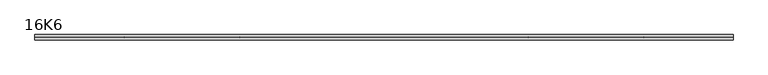
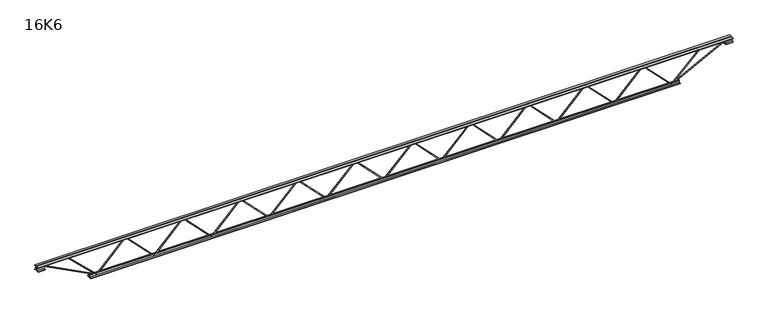
"""IFC4 building model written with IfcOpenShell, lengths in millimetres: beam geometry, 16K6."""

from ifc_helpers import new_model, si_unit, frame, origin, place, context, project, spatial, polyline, outline, extrude, source, transform, mapped, element, save


def beam_16k6_a4c05f10(model_context):
    return source(origin(), model_context, "Body", "SweptSolid", [
        extrude(outline(polyline([(-191.9, 2334.3), (-201.4, 2334.3), (-201.4, 2339.4806286), (191.9, 2722.1806286), (191.9, 2724.5193714), (-201.4, 3107.2193714), (-201.4, 3112.4), (-191.9, 3112.4), (-191.9, 3111.2306286), (201.4, 2728.5306286), (201.4, 2718.1693714), (-191.9, 2335.4693714), (-191.9, 2334.3)])), frame((0.0, -4.75, 0.0), z_axis=(0.0, 1.0, 0.0), x_axis=(0.0, 0.0, 1.0)), (0.0, 0.0, 1.0), 9.5),
        extrude(outline(polyline([(-191.9, 1556.2), (-201.4, 1556.2), (-201.4, 1561.3806286), (191.9, 1944.0806286), (191.9, 1946.4193714), (-201.4, 2329.1193714), (-201.4, 2334.3), (-191.9, 2334.3), (-191.9, 2333.1306286), (201.4, 1950.4306286), (201.4, 1940.0693714), (-191.9, 1557.3693714), (-191.9, 1556.2)])), frame((0.0, -4.75, 0.0), z_axis=(0.0, 1.0, 0.0), x_axis=(0.0, 0.0, 1.0)), (0.0, 0.0, 1.0), 9.5),
        extrude(outline(polyline([(-191.9, 778.1), (-201.4, 778.1), (-201.4, 783.2806286), (191.9, 1165.9806286), (191.9, 1168.3193714), (-201.4, 1551.0193714), (-201.4, 1556.2), (-191.9, 1556.2), (-191.9, 1555.0306286), (201.4, 1172.3306286), (201.4, 1161.9693714), (-191.9, 779.2693714), (-191.9, 778.1)])), frame((0.0, -4.75, 0.0), z_axis=(0.0, 1.0, 0.0), x_axis=(0.0, 0.0, 1.0)), (0.0, 0.0, 1.0), 9.5),
        extrude(outline(polyline([(-191.9, 0.0), (-201.4, 0.0), (-201.4, 5.1806286), (191.9, 387.8806286), (191.9, 390.2193714), (-201.4, 772.9193714), (-201.4, 778.1), (-191.9, 778.1), (-191.9, 776.9306286), (201.4, 394.2306286), (201.4, 383.8693714), (-191.9, 1.1693714), (-191.9, 0.0)])), frame((0.0, -4.75, 0.0), z_axis=(0.0, 1.0, 0.0), x_axis=(0.0, 0.0, 1.0)), (0.0, 0.0, 1.0), 9.5),
        extrude(outline(polyline([(-191.9, -778.1), (-201.4, -778.1), (-201.4, -772.9193714), (191.9, -390.2193714), (191.9, -387.8806286), (-201.4, -5.1806286), (-201.4, 0.0), (-191.9, 0.0), (-191.9, -1.1693714), (201.4, -383.8693714), (201.4, -394.2306286), (-191.9, -776.9306286), (-191.9, -778.1)])), frame((0.0, -4.75, 0.0), z_axis=(0.0, 1.0, 0.0), x_axis=(0.0, 0.0, 1.0)), (0.0, 0.0, 1.0), 9.5),
        extrude(outline(polyline([(-191.9, -1556.2), (-201.4, -1556.2), (-201.4, -1551.0193714), (191.9, -1168.3193714), (191.9, -1165.9806286), (-201.4, -783.2806286), (-201.4, -778.1), (-191.9, -778.1), (-191.9, -779.2693714), (201.4, -1161.9693714), (201.4, -1172.3306286), (-191.9, -1555.0306286), (-191.9, -1556.2)])), frame((0.0, -4.75, 0.0), z_axis=(0.0, 1.0, 0.0), x_axis=(0.0, 0.0, 1.0)), (0.0, 0.0, 1.0), 9.5),
        extrude(outline(polyline([(-191.9, -2334.3), (-201.4, -2334.3), (-201.4, -2329.1193714), (191.9, -1946.4193714), (191.9, -1944.0806286), (-201.4, -1561.3806286), (-201.4, -1556.2), (-191.9, -1556.2), (-191.9, -1557.3693714), (201.4, -1940.0693714), (201.4, -1950.4306286), (-191.9, -2333.1306286), (-191.9, -2334.3)])), frame((0.0, -4.75, 0.0), z_axis=(0.0, 1.0, 0.0), x_axis=(0.0, 0.0, 1.0)), (0.0, 0.0, 1.0), 9.5),
        extrude(outline(polyline([(-191.9, -3112.4), (-201.4, -3112.4), (-201.4, -3107.2193714), (191.9, -2724.5193714), (191.9, -2722.1806286), (-201.4, -2339.4806286), (-201.4, -2334.3), (-191.9, -2334.3), (-191.9, -2335.4693714), (201.4, -2718.1693714), (201.4, -2728.5306286), (-191.9, -3111.2306286), (-191.9, -3112.4)])), frame((0.0, -4.75, 0.0), z_axis=(0.0, 1.0, 0.0), x_axis=(0.0, 0.0, 1.0)), (0.0, 0.0, 1.0), 9.5),
        extrude(outline(polyline([(-191.9, 3112.4), (-201.4, 3112.4), (-201.4, 3117.5806286), (191.9, 3500.2806286), (191.9, 3502.6193714), (-201.4, 3885.3193714), (-201.4, 3890.5), (-191.9, 3890.5), (-191.9, 3889.3306286), (201.4, 3506.6306286), (201.4, 3496.2693714), (-191.9, 3113.5693714), (-191.9, 3112.4)])), frame((0.0, -4.75, 0.0), z_axis=(0.0, 1.0, 0.0), x_axis=(0.0, 0.0, 1.0)), (0.0, 0.0, 1.0), 9.5),
        extrude(outline(polyline([(-191.9, -3890.5), (-201.4, -3890.5), (-201.4, -3885.3193714), (191.9, -3502.6193714), (191.9, -3500.2806286), (-201.4, -3117.5806286), (-201.4, -3112.4), (-191.9, -3112.4), (-191.9, -3113.5693714), (201.4, -3496.2693714), (201.4, -3506.6306286), (-191.9, -3889.3306286), (-191.9, -3890.5)])), frame((0.0, -4.75, 0.0), z_axis=(0.0, 1.0, 0.0), x_axis=(0.0, 0.0, 1.0)), (0.0, 0.0, 1.0), 9.5),
        extrude(outline(polyline([(4.75, 203.0), (36.75, 203.0), (36.75, 196.5), (11.25, 196.5), (11.25, 171.0), (4.75, 171.0), (4.75, 203.0)])), frame((-4702.5, 0.0, 0.0), z_axis=(1.0, 0.0, 0.0), x_axis=(0.0, 1.0, 0.0)), (0.0, 0.0, 1.0), 9405.0),
        extrude(outline(polyline([(-4.75, 203.0), (-4.75, 171.0), (-11.25, 171.0), (-11.25, 196.5), (-36.75, 196.5), (-36.75, 203.0), (-4.75, 203.0)])), frame((-4702.5, 0.0, 0.0), z_axis=(1.0, 0.0, 0.0), x_axis=(0.0, 1.0, 0.0)), (0.0, 0.0, 1.0), 9405.0),
        extrude(outline(polyline([(-4.75, 139.5), (-36.75, 139.5), (-36.75, 146.0), (-11.25, 146.0), (-11.25, 171.0), (-4.75, 171.0), (-4.75, 139.5)])), frame((-4702.5, 0.0, 0.0), z_axis=(1.0, 0.0, 0.0), x_axis=(0.0, 1.0, 0.0)), (0.0, 0.0, 1.0), 100.0),
        extrude(outline(polyline([(36.75, 139.5), (4.75, 139.5), (4.75, 171.0), (11.25, 171.0), (11.25, 146.0), (36.75, 146.0), (36.75, 139.5)])), frame((-4702.5, 0.0, 0.0), z_axis=(1.0, 0.0, 0.0), x_axis=(0.0, 1.0, 0.0)), (0.0, 0.0, 1.0), 100.0),
        extrude(outline(polyline([(4.75, 139.5), (4.75, 171.0), (11.25, 171.0), (11.25, 146.0), (36.75, 146.0), (36.75, 139.5), (4.75, 139.5)])), frame((4602.5, 0.0, 0.0), z_axis=(1.0, 0.0, 0.0), x_axis=(0.0, 1.0, 0.0)), (0.0, 0.0, 1.0), 100.0),
        extrude(outline(polyline([(-4.75, 139.5), (-36.75, 139.5), (-36.75, 146.0), (-11.25, 146.0), (-11.25, 171.0), (-4.75, 171.0), (-4.75, 139.5)])), frame((4602.5, 0.0, 0.0), z_axis=(1.0, 0.0, 0.0), x_axis=(0.0, 1.0, 0.0)), (0.0, 0.0, 1.0), 100.0),
        extrude(outline(polyline([(4.75, -203.0), (4.75, -171.0), (11.25, -171.0), (11.25, -196.5), (36.75, -196.5), (36.75, -203.0), (4.75, -203.0)])), frame((-3990.5, 0.0, 0.0), z_axis=(1.0, 0.0, 0.0), x_axis=(0.0, 1.0, 0.0)), (0.0, 0.0, 1.0), 7981.0),
        extrude(outline(polyline([(-4.75, -203.0), (-36.75, -203.0), (-36.75, -196.5), (-11.25, -196.5), (-11.25, -171.0), (-4.75, -171.0), (-4.75, -203.0)])), frame((-3990.5, 0.0, 0.0), z_axis=(1.0, 0.0, 0.0), x_axis=(0.0, 1.0, 0.0)), (0.0, 0.0, 1.0), 7981.0),
        extrude(outline(polyline([(-200.8705467, -3892.6793315), (-192.4294533, -3888.3206685), (175.75, -4601.3460208), (175.75, -4702.5), (166.25, -4702.5), (166.25, -4603.6539792), (-200.8705467, -3892.6793315)])), frame((0.0, -4.75, 0.0), z_axis=(0.0, 1.0, 0.0), x_axis=(0.0, 0.0, 1.0)), (0.0, 0.0, 1.0), 9.5),
        extrude(outline(polyline([(188.7, -4299.5071429), (179.2, -4299.5071429), (179.2, -4288.7186426), (-200.0759629, -3893.7901791), (-193.2240371, -3887.2098209), (188.7, -4284.8956432), (188.7, -4299.5071429)])), frame((0.0, -4.75, 0.0), z_axis=(0.0, 1.0, 0.0), x_axis=(0.0, 0.0, 1.0)), (0.0, 0.0, 1.0), 9.5),
        extrude(outline(polyline([(0.0, -9.5), (0.0, 0.0), (801.3179909, 0.0), (801.3179909, -9.5), (0.0, -9.5)])), frame((4604.6793315, -4.75, 166.7794533), z_axis=(-0.4588066213244958, 0.0, 0.8885361468329811), x_axis=(-0.8885361468329811, 0.0, -0.4588066213244958)), (0.0, 0.0, 1.0), 9.5),
        extrude(outline(polyline([(0.0, -9.5), (0.0, 0.0), (563.5148824, 0.0), (563.5148824, -9.5), (0.0, -9.5)])), frame((4297.3795043, -4.75, 193.2482613), z_axis=(-0.6979407505869291, 0.0, 0.7161555059274167), x_axis=(-0.7161555059274167, 0.0, -0.6979407505869291)), (0.0, 0.0, 1.0), 9.5),
    ])


if __name__ == "__main__":
    model = new_model("IFC4")
    model_context = context("Model", 3, world=origin())
    ifc_project = project(units=[si_unit("LENGTHUNIT", "METRE", prefix="MILLI")], contexts=[model_context])
    site = spatial("IfcSite", under=ifc_project)
    building = spatial("IfcBuilding", under=site)
    placement = place(None, origin())
    beam_16k6_shape = beam_16k6_a4c05f10(model_context)
    element("IfcBeam", 1, ObjectType="16K6", at=placement, inside=building, context=model_context, shape_type="MappedRepresentation", body=[
        mapped(beam_16k6_shape, transform((0.0, 0.0, 0.0), x_axis=(1.0, 0.0, 0.0), y_axis=(0.0, 1.0, 0.0), z_axis=(0.0, 0.0, 1.0))),
    ])
    save(model, "model.ifc")
